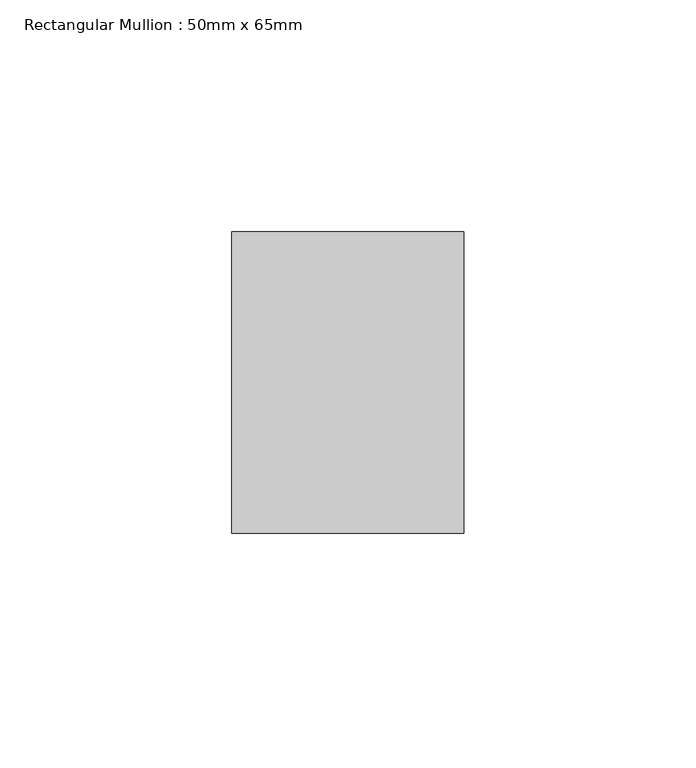
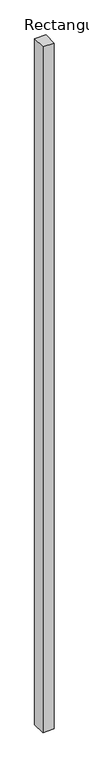
"""IFC4 building model written with IfcOpenShell, lengths in millimetres: member geometry, Rectangular Mullion : 50mm x 65mm."""

from ifc_helpers import new_model, si_unit, origin, place, context, project, spatial, faceted_brep, source, transform, mapped, element, save


def rectangular_mullion_50mm_x_65mm_f54e3970(model_context):
    return source(origin(), model_context, "Body", "Brep", [
        faceted_brep([(25.0, 32.5, 0.0), (-25.0, 32.5, 0.0), (-25.0, -32.5, 0.0), (25.0, -32.5, 0.0), (25.0, 32.5, -3259.8004386), (-25.0, 32.5, -3262.273628), (-25.0, -32.5, -3260.7319503), (25.0, -32.5, -3258.258761)], [[[0, 1, 2, 3]], [[1, 0, 4, 5]], [[2, 1, 5, 6]], [[3, 2, 6, 7]], [[0, 3, 7, 4]], [[4, 7, 6, 5]]]),
    ])


if __name__ == "__main__":
    model = new_model("IFC4")
    model_context = context("Model", 3, world=origin())
    ifc_project = project(units=[si_unit("LENGTHUNIT", "METRE", prefix="MILLI")], contexts=[model_context])
    site = spatial("IfcSite", under=ifc_project)
    building = spatial("IfcBuilding", under=site)
    placement = place(None, origin())
    rectangular_mullion_50mm_x_65mm_shape = rectangular_mullion_50mm_x_65mm_f54e3970(model_context)
    element("IfcMember", 1, ObjectType="Rectangular Mullion : 50mm x 65mm", at=placement, inside=building, context=model_context, shape_type="MappedRepresentation", body=[
        mapped(rectangular_mullion_50mm_x_65mm_shape, transform((0.0, 0.0, 0.0), x_axis=(1.0, 0.0, 0.0), y_axis=(0.0, 1.0, 0.0), z_axis=(0.0, 0.0, 1.0))),
    ])
    save(model, "model.ifc")
